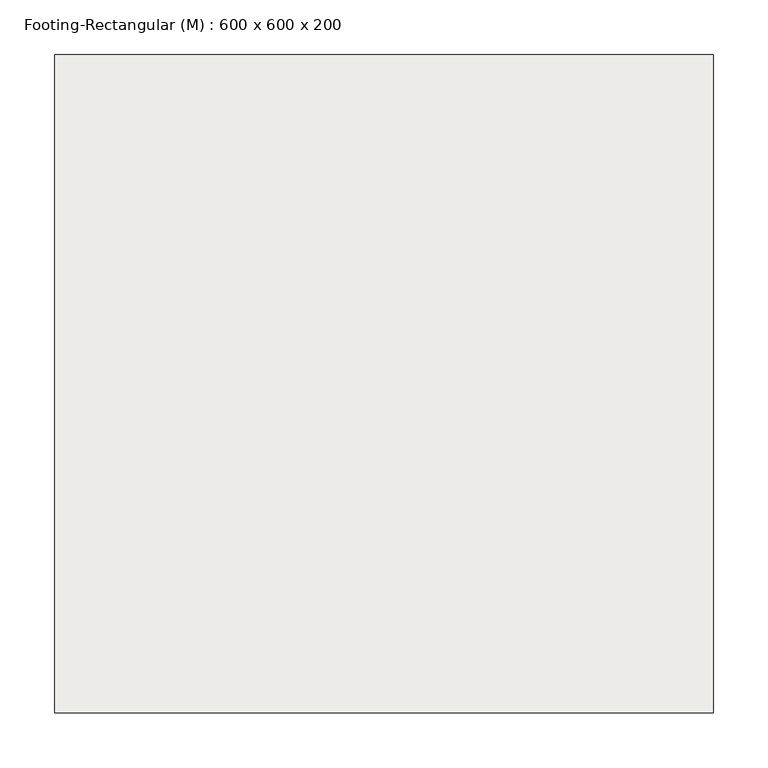
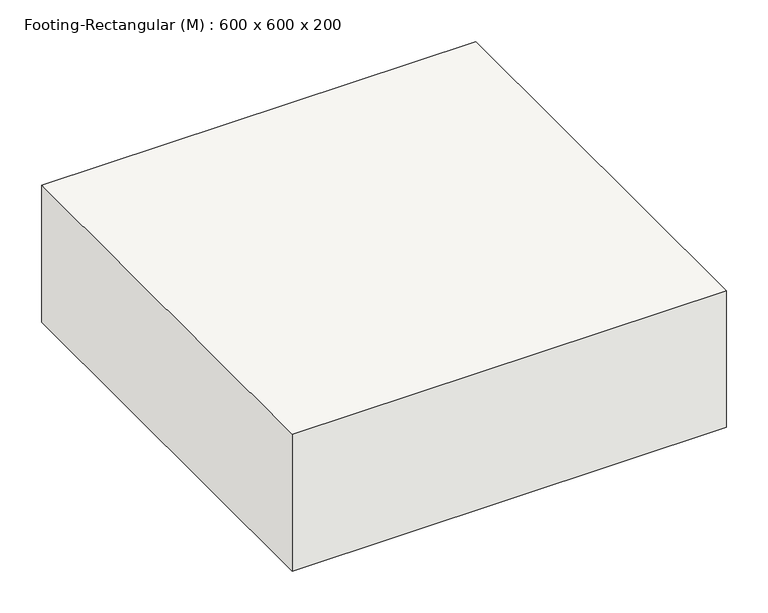
"""IFC4 building model written with IfcOpenShell, lengths in millimetres: slab geometry, Footing-Rectangular (M) : 600 x 600 x 200."""

from ifc_helpers import new_model, si_unit, frame, origin, place, context, project, spatial, polyline, outline, extrude, source, transform, mapped, element, save


def footing_rectangular_m_600_x_600_x_200_99a0144e(model_context):
    return source(origin(), model_context, "Body", "SweptSolid", [
        extrude(outline(polyline([(300.0, 300.0), (300.0, -300.0), (-300.0, -300.0), (-300.0, 300.0), (300.0, 300.0)])), frame((0.0, 0.0, -200.0), z_axis=(0.0, 0.0, 1.0), x_axis=(1.0, 0.0, 0.0)), (0.0, 0.0, 1.0), 200.0),
    ])


if __name__ == "__main__":
    model = new_model("IFC4")
    model_context = context("Model", 3, world=origin())
    ifc_project = project(units=[si_unit("LENGTHUNIT", "METRE", prefix="MILLI")], contexts=[model_context])
    site = spatial("IfcSite", under=ifc_project)
    building = spatial("IfcBuilding", under=site)
    placement = place(None, origin())
    footing_rectangular_m_600_x_600_x_200_shape = footing_rectangular_m_600_x_600_x_200_99a0144e(model_context)
    element("IfcSlab", 1, ObjectType="Footing-Rectangular (M) : 600 x 600 x 200", at=placement, inside=building, context=model_context, shape_type="MappedRepresentation", body=[
        mapped(footing_rectangular_m_600_x_600_x_200_shape, transform((0.0, 0.0, 0.0), x_axis=(1.0, 0.0, 0.0), y_axis=(0.0, 1.0, 0.0), z_axis=(0.0, 0.0, 1.0))),
    ])
    save(model, "model.ifc")
